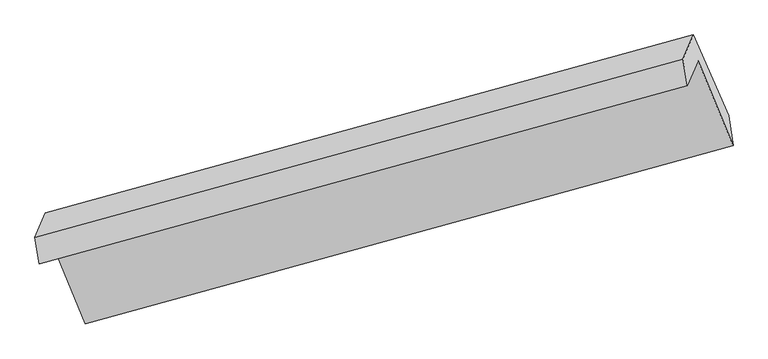
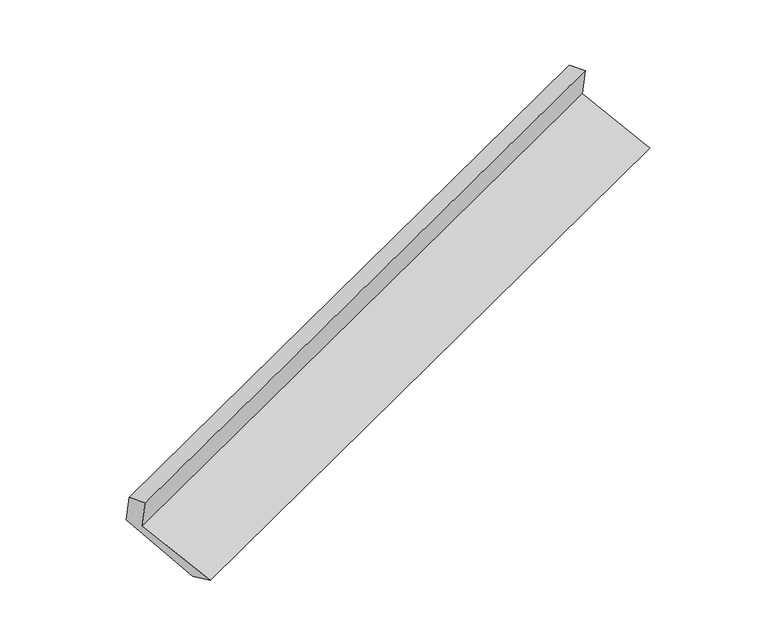
"""IFC4 building model written with IfcOpenShell, lengths in millimetres: proxy geometry."""

from ifc_helpers import new_model, si_unit, frame, origin, place, context, project, spatial, polyline, outline, extrude, source, transform, mapped, element, save


def generic_models_1e94b2d0(model_context):
    return source(origin(), model_context, "Body", "SweptSolid", [
        extrude(outline(polyline([(-71.7947937, -150.4707188), (324.3389623, -150.4707188), (198.3620002, -304.6659462), (-186.9294077, -304.6659461), (-209.6290292, 373.0390513), (-54.3477323, 537.2342786), (-71.7947937, -150.4707188)])), frame((-5153.8421316, -2137.2718814, 1108.2456892), z_axis=(0.9115650333083246, 0.251088026002483, 0.32558254444575163), x_axis=(-0.1910147145335026, -0.442603603453868, 0.8761366497535278)), (0.0, 0.0, 1.0), 5030.5195664),
    ])


if __name__ == "__main__":
    model = new_model("IFC4")
    model_context = context("Model", 3, world=origin())
    ifc_project = project(units=[si_unit("LENGTHUNIT", "METRE", prefix="MILLI")], contexts=[model_context])
    site = spatial("IfcSite", under=ifc_project)
    building = spatial("IfcBuilding", under=site)
    placement = place(None, origin())
    generic_models_shape = generic_models_1e94b2d0(model_context)
    element("IfcBuildingElementProxy", 1, Name="Generic Models", at=placement, inside=building, context=model_context, shape_type="MappedRepresentation", body=[
        mapped(generic_models_shape, transform((0.0, 0.0, 0.0), x_axis=(1.0, 0.0, 0.0), y_axis=(0.0, 1.0, 0.0), z_axis=(0.0, 0.0, 1.0))),
    ])
    save(model, "model.ifc")
